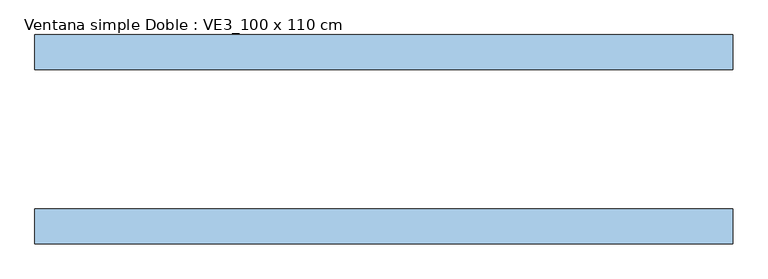
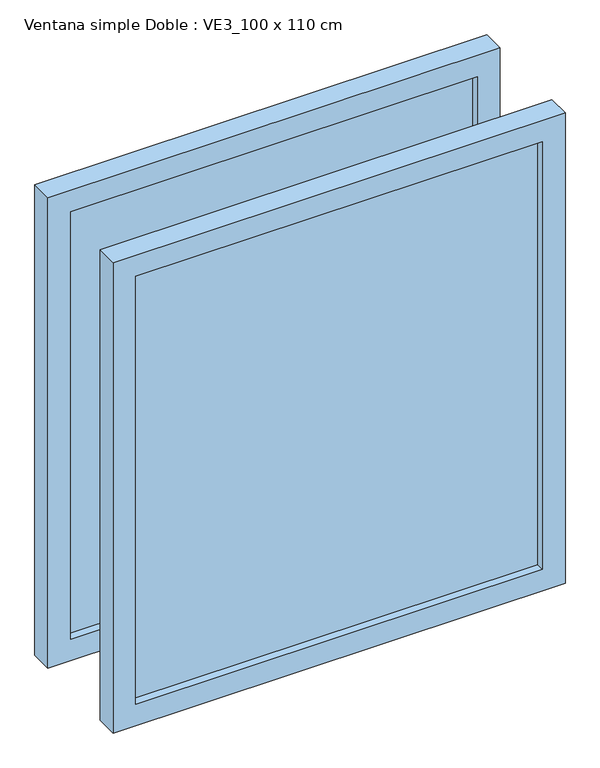
"""IFC4 building model written with IfcOpenShell, lengths in millimetres: window geometry, Ventana simple Doble : VE3_100 x 110 cm."""

import ifcopenshell
import ifcopenshell.guid

model = None  # the IFC model being written
_history = None  # IfcOwnerHistory: only IFC2X3 demands one
_inside = {}  # id of a spatial element -> (the spatial element, [elements in it])
_under = {}  # id of a project, library or spatial element -> (it, [spatial elements below it])
_declared = {}  # id of a project -> (the project, [libraries it declares])
_typed = {}  # id of a type object -> (the type object, [elements of that type])
_made_of = {}  # id of a material, layer set ... -> (it, [elements and type objects made of it])


def new_model(schema):
    """Start an empty IFC model of exactly this schema.

    Asked for "IFC4X3", IfcOpenShell would pick the latest addendum, in which some entities
    have other attributes; the version numbers below select the first issue.
    IFC2X3 requires an IfcOwnerHistory on every rooted entity: one is made here for all.
    """
    global model, _history
    if schema == "IFC4X3":
        model = ifcopenshell.file(schema_version=(4, 3, 0, 0))
    else:
        model = ifcopenshell.file(schema=schema)
    _inside.clear()
    _under.clear()
    _declared.clear()
    _typed.clear()
    _made_of.clear()
    _history = None
    if model.schema == "IFC2X3":
        org = make("IfcOrganization", Name="unknown")
        user = make(
            "IfcPersonAndOrganization",
            ThePerson=make("IfcPerson", FamilyName="unknown"),
            TheOrganization=org,
        )
        app = make(
            "IfcApplication",
            ApplicationDeveloper=org,
            Version="unknown",
            ApplicationFullName="unknown",
            ApplicationIdentifier="unknown",
        )
        _history = make(
            "IfcOwnerHistory",
            OwningUser=user,
            OwningApplication=app,
            ChangeAction="ADDED",
            CreationDate=0,
        )
    return model


def make(cls, **values):
    """One entity of the class cls with the attributes given. An attribute that is None is left unset."""
    return model.create_entity(
        cls, **{name: value for name, value in values.items() if value is not None}
    )


def rooted(cls, **values):
    """An entity with a GlobalId (a new one), such as an element, a storey or a relation."""
    return make(cls, GlobalId=ifcopenshell.guid.new(), OwnerHistory=_history, **values)


def si_unit(unit_type, name, prefix=None):
    """IfcSIUnit, for example si_unit("LENGTHUNIT", "METRE", prefix="MILLI")."""
    return make("IfcSIUnit", UnitType=unit_type, Prefix=prefix, Name=name)


def assignment(units):
    """IfcUnitAssignment: the units of a project."""
    return None if units is None else make("IfcUnitAssignment", Units=units)


def point(xyz):
    """IfcCartesianPoint."""
    return None if xyz is None else make("IfcCartesianPoint", Coordinates=xyz)


def direction(xyz):
    """IfcDirection."""
    return None if xyz is None else make("IfcDirection", DirectionRatios=xyz)


def frame(location, z_axis=None, x_axis=None):
    """IfcAxis2Placement3D, a coordinate frame: its origin and axes. An axis left out is left unset."""
    return make(
        "IfcAxis2Placement3D",
        Location=point(location),
        Axis=direction(z_axis),
        RefDirection=direction(x_axis),
    )


def origin():
    """The frame at (0, 0, 0) with its axes left unset."""
    return frame((0.0, 0.0, 0.0))


def place(relative_to, where):
    """IfcLocalPlacement: puts the frame where relative to a parent placement (None: the world)."""
    return make(
        "IfcLocalPlacement", PlacementRelTo=relative_to, RelativePlacement=where
    )


def context(
    kind, dimensions, precision=None, world=None, true_north=None, identifier=None
):
    """IfcGeometricRepresentationContext, for example the 3D "Model" context."""
    return make(
        "IfcGeometricRepresentationContext",
        ContextIdentifier=identifier,
        ContextType=kind,
        CoordinateSpaceDimension=dimensions,
        Precision=precision,
        WorldCoordinateSystem=world,
        TrueNorth=true_north,
    )


def project(units=None, contexts=None):
    """IfcProject with its units and contexts."""
    return rooted(
        "IfcProject",
        Name="project",
        RepresentationContexts=contexts,
        UnitsInContext=assignment(units),
    )


def spatial(cls, under=None, at=None, **own):
    """A site, building, storey or space (cls), placed at a placement, below another one or the project."""
    s = rooted(cls, ObjectPlacement=at, **own)
    if under is not None:
        _under.setdefault(under.id(), (under, []))[1].append(s)
    return s


def polyline(points):
    """IfcPolyline through the points."""
    return make("IfcPolyline", Points=[point(p) for p in points])


def outline(outer, holes=None, kind="AREA"):
    """IfcArbitraryClosedProfileDef: a profile drawn as a closed curve; with holes, ...WithVoids."""
    if holes is None:
        return make("IfcArbitraryClosedProfileDef", ProfileType=kind, OuterCurve=outer)
    return make(
        "IfcArbitraryProfileDefWithVoids",
        ProfileType=kind,
        OuterCurve=outer,
        InnerCurves=holes,
    )


def extrude(swept, where, along, depth):
    """IfcExtrudedAreaSolid: the profile swept, set in the frame where, extruded along a direction by depth."""
    return make(
        "IfcExtrudedAreaSolid",
        SweptArea=swept,
        Position=where,
        ExtrudedDirection=direction(along),
        Depth=depth,
    )


def shape(context_of_items, identifier, shape_type, items):
    """IfcShapeRepresentation: the items that make up one representation, for example the "Body"."""
    return make(
        "IfcShapeRepresentation",
        ContextOfItems=context_of_items,
        RepresentationIdentifier=identifier,
        RepresentationType=shape_type,
        Items=items,
    )


def source(mapping_origin, context_of_items, identifier, shape_type, items):
    """IfcRepresentationMap: a shape defined once, which mapped items show again and again."""
    return make(
        "IfcRepresentationMap",
        MappingOrigin=mapping_origin,
        MappedRepresentation=shape(context_of_items, identifier, shape_type, items),
    )


def transform(
    local_origin,
    x_axis=None,
    y_axis=None,
    z_axis=None,
    scale=None,
    scale2=None,
    scale3=None,
    uniform=True,
):
    """IfcCartesianTransformationOperator3D, or its non-uniform kind. x_axis, y_axis, z_axis: its Axis1, 2, 3."""
    if uniform:
        return make(
            "IfcCartesianTransformationOperator3D",
            Axis1=direction(x_axis),
            Axis2=direction(y_axis),
            LocalOrigin=point(local_origin),
            Scale=scale,
            Axis3=direction(z_axis),
        )
    return make(
        "IfcCartesianTransformationOperator3DnonUniform",
        Axis1=direction(x_axis),
        Axis2=direction(y_axis),
        LocalOrigin=point(local_origin),
        Scale=scale,
        Axis3=direction(z_axis),
        Scale2=scale2,
        Scale3=scale3,
    )


def mapped(mapping_source, mapping_target):
    """IfcMappedItem: shows the shape of a source again, moved by a transform."""
    return make(
        "IfcMappedItem", MappingSource=mapping_source, MappingTarget=mapping_target
    )


def made_of(thing, what):
    """Note that an element or type object is made of a material, layer set ...; save() writes the relation."""
    if what is not None:
        _made_of.setdefault(what.id(), (what, []))[1].append(thing)
    return thing


def element(
    cls,
    number,
    at=None,
    inside=None,
    cuts=None,
    type_object=None,
    material=None,
    context=None,
    identifier="Body",
    shape_type=None,
    held_by="IfcProductDefinitionShape",
    body=None,
    shapes=None,
    **own,
):
    """One element of the class cls, such as IfcWall. Its Tag is "e" and its number.

    at: its placement. inside: the storey or other place that contains it. cuts: it is an
    opening in that element (IfcRelVoidsElement). A single representation is given by context,
    identifier, shape_type and body (its items); several are given by shapes. held_by: the class
    of the entity that holds the representations. save() writes the other relations.
    """
    e = rooted(cls, Tag="e%d" % number, ObjectPlacement=at, **own)
    if body is not None:
        shapes = [shape(context, identifier, shape_type, body)]
    if shapes is not None:
        e.Representation = make(held_by, Representations=shapes)
    if inside is not None:
        _inside.setdefault(inside.id(), (inside, []))[1].append(e)
    if cuts is not None:
        rooted(
            "IfcRelVoidsElement", RelatingBuildingElement=cuts, RelatedOpeningElement=e
        )
    if type_object is not None:
        _typed.setdefault(type_object.id(), (type_object, []))[1].append(e)
    return made_of(e, material)


def aggregate(whole, parts):
    """IfcRelAggregates: a whole, such as a stair, and the parts it consists of."""
    return rooted("IfcRelAggregates", RelatingObject=whole, RelatedObjects=parts)


def save(model, path):
    """Write the relations noted so far, then the file.

    IfcRelAggregates (storeys below a building ...), IfcRelContainedInSpatialStructure (elements
    in a storey), IfcRelDefinesByType, IfcRelAssociatesMaterial and IfcRelDeclares: one each for
    every whole, place, type object, material and project.
    """
    for whole, parts in _under.values():
        aggregate(whole, parts)
    for where, things in _inside.values():
        rooted(
            "IfcRelContainedInSpatialStructure",
            RelatedElements=things,
            RelatingStructure=where,
        )
    for kind, things in _typed.values():
        rooted("IfcRelDefinesByType", RelatedObjects=things, RelatingType=kind)
    for what, things in _made_of.values():
        rooted("IfcRelAssociatesMaterial", RelatedObjects=things, RelatingMaterial=what)
    for by, libraries in _declared.values():
        rooted("IfcRelDeclares", RelatingContext=by, RelatedDefinitions=libraries)
    model.write(path)


def ventana_simple_doble_ve3_100_x_110_cm_b76ceb27(model_context):
    return source(origin(), model_context, "Body", "SweptSolid", [
        extrude(outline(polyline([(450.0, 131.5), (450.0, 118.5), (-450.0, 118.5), (-450.0, 131.5), (450.0, 131.5)])), frame((0.0, 0.0, 850.0), z_axis=(0.0, 0.0, 1.0), x_axis=(1.0, 0.0, 0.0)), (0.0, 0.0, 1.0), 1000.0),
        extrude(outline(polyline([(1900.0, 500.0), (1900.0, -500.0), (800.0, -500.0), (800.0, 500.0), (1900.0, 500.0)]), holes=[polyline([(850.0, 450.0), (850.0, -450.0), (1850.0, -450.0), (1850.0, 450.0), (850.0, 450.0)])]), frame((0.0, 100.0, 0.0), z_axis=(0.0, 1.0, 0.0), x_axis=(0.0, 0.0, 1.0)), (0.0, 0.0, 1.0), 50.0),
        extrude(outline(polyline([(450.0, -131.5), (-450.0, -131.5), (-450.0, -118.5), (450.0, -118.5), (450.0, -131.5)])), frame((0.0, 0.0, 850.0), z_axis=(0.0, 0.0, 1.0), x_axis=(1.0, 0.0, 0.0)), (0.0, 0.0, 1.0), 1000.0),
        extrude(outline(polyline([(800.0, 500.0), (1900.0, 500.0), (1900.0, -500.0), (800.0, -500.0), (800.0, 500.0)]), holes=[polyline([(1850.0, 450.0), (850.0, 450.0), (850.0, -450.0), (1850.0, -450.0), (1850.0, 450.0)])]), frame((0.0, -150.0, 0.0), z_axis=(0.0, 1.0, 0.0), x_axis=(0.0, 0.0, 1.0)), (0.0, 0.0, 1.0), 50.0),
    ])


if __name__ == "__main__":
    model = new_model("IFC4")
    model_context = context("Model", 3, world=origin())
    ifc_project = project(units=[si_unit("LENGTHUNIT", "METRE", prefix="MILLI")], contexts=[model_context])
    site = spatial("IfcSite", under=ifc_project)
    building = spatial("IfcBuilding", under=site)
    placement = place(None, origin())
    ventana_simple_doble_ve3_100_x_110_cm_shape = ventana_simple_doble_ve3_100_x_110_cm_b76ceb27(model_context)
    element("IfcWindow", 1, ObjectType="Ventana simple Doble : VE3_100 x 110 cm", at=placement, inside=building, context=model_context, shape_type="MappedRepresentation", body=[
        mapped(ventana_simple_doble_ve3_100_x_110_cm_shape, transform((0.0, 0.0, 0.0), x_axis=(1.0, 0.0, 0.0), y_axis=(0.0, 1.0, 0.0), z_axis=(0.0, 0.0, 1.0))),
    ])
    save(model, "model.ifc")
